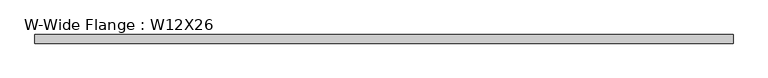
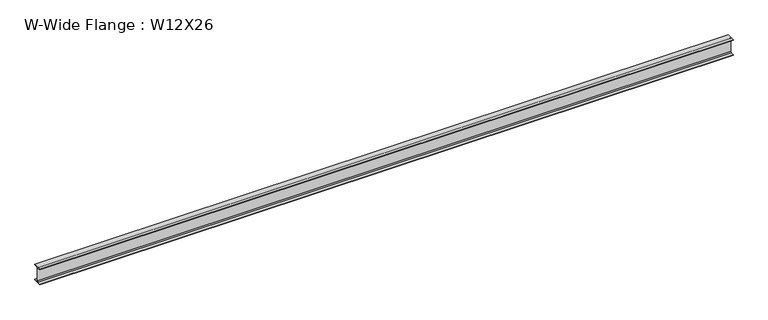
"""IFC4 building model written with IfcOpenShell, lengths in millimetres: beam geometry, W-Wide Flange : W12X26."""

from ifc_helpers import new_model, si_unit, point, frame, frame_2d, origin, place, context, project, spatial, polyline, circle_curve, trimmed, segment, composite_curve, outline, extrude, source, transform, mapped, element, save


def w_wide_flange_w12x26_46cf7707(model_context):
    return source(origin(), model_context, "Body", "SweptSolid", [
        extrude(outline(composite_curve([segment(polyline([(82.4011719, -145.5539063), (82.4011719, -155.178125), (-82.4011719, -155.178125), (-82.4011719, -145.5539063), (-20.2902344, -145.5539063)]), True, "CONTINUOUS"), segment(trimmed(circle_curve(frame_2d((-20.2902344, -128.190625)), 17.3632812), [point((-20.2902344, -145.5539063))], [point((-2.9269531, -128.190625))], True, "CARTESIAN"), True, "CONTINUOUS"), segment(polyline([(-2.9269531, -128.190625), (-2.9269531, 128.190625)]), True, "CONTINUOUS"), segment(trimmed(circle_curve(frame_2d((-20.2902344, 128.190625)), 17.3632812), [point((-2.9269531, 128.190625))], [point((-20.2902344, 145.5539062))], True, "CARTESIAN"), True, "CONTINUOUS"), segment(polyline([(-20.2902344, 145.5539062), (-82.4011719, 145.5539062), (-82.4011719, 155.178125), (82.4011719, 155.178125), (82.4011719, 145.5539062), (20.2902344, 145.5539062)]), True, "CONTINUOUS"), segment(trimmed(circle_curve(frame_2d((20.2902344, 128.190625)), 17.3632812), [point((20.2902344, 145.5539062))], [point((2.9269531, 128.190625))], True, "CARTESIAN"), True, "CONTINUOUS"), segment(polyline([(2.9269531, 128.190625), (2.9269531, -128.190625)]), True, "CONTINUOUS"), segment(trimmed(circle_curve(frame_2d((20.2902344, -128.190625)), 17.3632812), [point((2.9269531, -128.190625))], [point((20.2902344, -145.5539063))], True, "CARTESIAN"), True, "CONTINUOUS"), segment(polyline([(20.2902344, -145.5539063), (82.4011719, -145.5539063)]), True, "CONTINUOUS")], self_intersect=False)), frame((-6671.9644535, 0.0, 0.0), z_axis=(1.0, 0.0, 0.0), x_axis=(0.0, 1.0, 0.0)), (0.0, 0.0, 1.0), 13343.9289071),
    ])


if __name__ == "__main__":
    model = new_model("IFC4")
    model_context = context("Model", 3, world=origin())
    ifc_project = project(units=[si_unit("LENGTHUNIT", "METRE", prefix="MILLI")], contexts=[model_context])
    site = spatial("IfcSite", under=ifc_project)
    building = spatial("IfcBuilding", under=site)
    placement = place(None, origin())
    w_wide_flange_w12x26_shape = w_wide_flange_w12x26_46cf7707(model_context)
    element("IfcBeam", 1, ObjectType="W-Wide Flange : W12X26", at=placement, inside=building, context=model_context, shape_type="MappedRepresentation", body=[
        mapped(w_wide_flange_w12x26_shape, transform((0.0, 0.0, 0.0), x_axis=(1.0, 0.0, 0.0), y_axis=(0.0, 1.0, 0.0), z_axis=(0.0, 0.0, 1.0))),
    ])
    save(model, "model.ifc")
